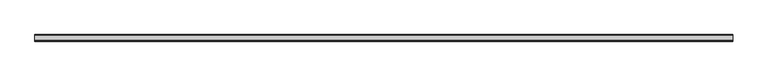
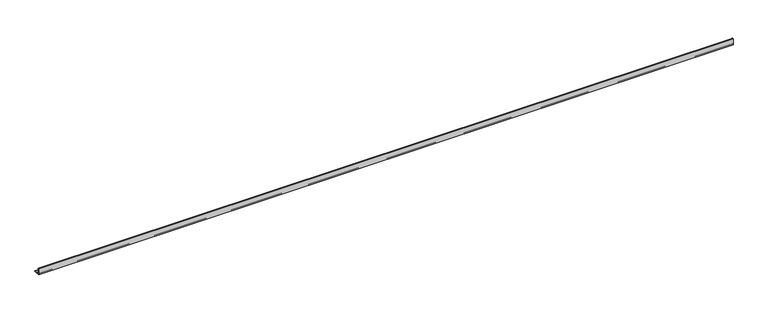
"""IFC4 building model written with IfcOpenShell, lengths in millimetres: beam geometry."""

from ifc_helpers import new_model, si_unit, point, frame, frame_2d, origin, place, context, project, spatial, polyline, circle_curve, trimmed, segment, composite_curve, outline, extrude, source, transform, mapped, element, save


def beam_5dcb1ae4(model_context):
    return source(origin(), model_context, "Body", "SweptSolid", [
        extrude(outline(composite_curve([segment(polyline([(-21.3, -21.3), (-21.3, 53.7), (-18.3, 53.7)]), True, "CONTINUOUS"), segment(trimmed(circle_curve(frame_2d((-18.3, 48.7)), 5.0), [point((-18.3, 53.7))], [point((-13.3, 48.7))], False, "CARTESIAN"), True, "CONTINUOUS"), segment(polyline([(-13.3, 48.7), (-13.3, -5.3)]), True, "CONTINUOUS"), segment(trimmed(circle_curve(frame_2d((-5.3, -5.3)), 8.0), [point((-13.3, -5.3))], [point((-5.3, -13.3))], True, "CARTESIAN"), True, "CONTINUOUS"), segment(polyline([(-5.3, -13.3), (48.7, -13.3)]), True, "CONTINUOUS"), segment(trimmed(circle_curve(frame_2d((48.7, -18.3)), 5.0), [point((48.7, -13.3))], [point((53.7, -18.3))], False, "CARTESIAN"), True, "CONTINUOUS"), segment(polyline([(53.7, -18.3), (53.7, -21.3), (-21.3, -21.3)]), True, "CONTINUOUS")], self_intersect=False)), frame((-3917.0, 0.0, 0.0), z_axis=(1.0, 0.0, 0.0), x_axis=(0.0, 1.0, 0.0)), (0.0, 0.0, 1.0), 7908.0),
    ])


if __name__ == "__main__":
    model = new_model("IFC4")
    model_context = context("Model", 3, world=origin())
    ifc_project = project(units=[si_unit("LENGTHUNIT", "METRE", prefix="MILLI")], contexts=[model_context])
    site = spatial("IfcSite", under=ifc_project)
    building = spatial("IfcBuilding", under=site)
    placement = place(None, origin())
    beam_shape = beam_5dcb1ae4(model_context)
    element("IfcBeam", 1, at=placement, inside=building, context=model_context, shape_type="MappedRepresentation", body=[
        mapped(beam_shape, transform((0.0, 0.0, 0.0), x_axis=(1.0, 0.0, 0.0), y_axis=(0.0, 1.0, 0.0), z_axis=(0.0, 0.0, 1.0))),
    ])
    save(model, "model.ifc")
